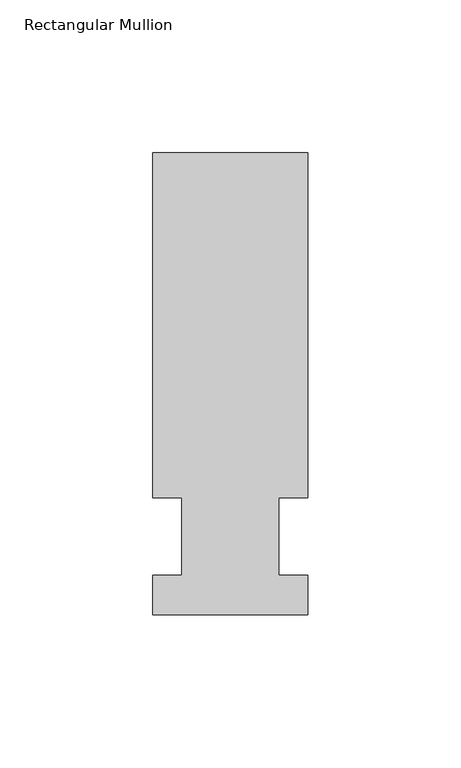
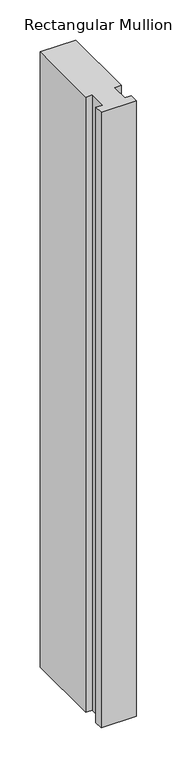
"""IFC4 building model written with IfcOpenShell, lengths in millimetres: member geometry, Rectangular Mullion."""

from ifc_helpers import new_model, si_unit, frame, origin, place, context, project, spatial, polyline, outline, extrude, source, transform, mapped, element, save


def rectangular_mullion_9519049a(model_context):
    return source(origin(), model_context, "Body", "SweptSolid", [
        extrude(outline(polyline([(-25.4, -25.5984375), (-25.4, -12.7), (-15.875, -12.7), (-15.875, 12.7), (-25.4, 12.7), (-25.4, 125.6109375), (25.4, 125.6109375), (25.4, 12.7), (15.875, 12.7), (15.875, -12.7), (25.4, -12.7), (25.4, -25.5984375), (-25.4, -25.5984375)])), frame((0.0, 0.0, -933.45), z_axis=(0.0, 0.0, 1.0), x_axis=(1.0, 0.0, 0.0)), (0.0, 0.0, 1.0), 933.45),
    ])


if __name__ == "__main__":
    model = new_model("IFC4")
    model_context = context("Model", 3, world=origin())
    ifc_project = project(units=[si_unit("LENGTHUNIT", "METRE", prefix="MILLI")], contexts=[model_context])
    site = spatial("IfcSite", under=ifc_project)
    building = spatial("IfcBuilding", under=site)
    placement = place(None, origin())
    rectangular_mullion_shape = rectangular_mullion_9519049a(model_context)
    element("IfcMember", 1, ObjectType="Rectangular Mullion", at=placement, inside=building, context=model_context, shape_type="MappedRepresentation", body=[
        mapped(rectangular_mullion_shape, transform((0.0, 0.0, 0.0), x_axis=(1.0, 0.0, 0.0), y_axis=(0.0, 1.0, 0.0), z_axis=(0.0, 0.0, 1.0))),
    ])
    save(model, "model.ifc")
